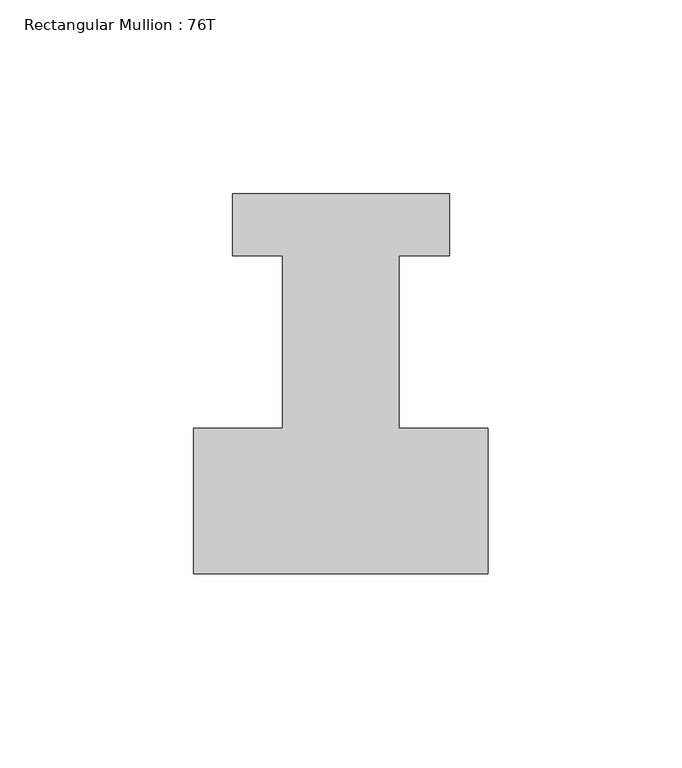
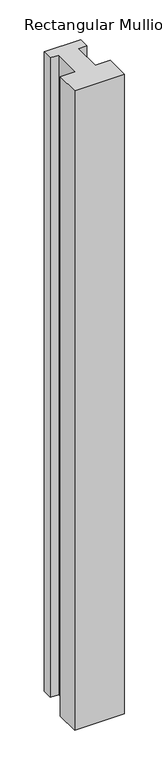
"""IFC4 building model written with IfcOpenShell, lengths in millimetres: member geometry, Rectangular Mullion : 76T."""

from ifc_helpers import new_model, si_unit, frame, origin, place, context, project, spatial, polyline, outline, extrude, source, transform, mapped, element, save


def rectangular_mullion_76t_65d1620c(model_context):
    return source(origin(), model_context, "Body", "SweptSolid", [
        extrude(outline(polyline([(38.0, -38.0), (-38.0, -38.0), (-38.0, -0.5), (-15.0, -0.5), (-15.0, 44.0), (-28.0, 44.0), (-28.0, 60.0), (28.0, 60.0), (28.0, 44.0), (15.0, 44.0), (15.0, -0.5), (38.0, -0.5), (38.0, -38.0)])), frame((0.0, 0.0, -1036.0), z_axis=(0.0, 0.0, 1.0), x_axis=(1.0, 0.0, 0.0)), (0.0, 0.0, 1.0), 1036.0),
    ])


if __name__ == "__main__":
    model = new_model("IFC4")
    model_context = context("Model", 3, world=origin())
    ifc_project = project(units=[si_unit("LENGTHUNIT", "METRE", prefix="MILLI")], contexts=[model_context])
    site = spatial("IfcSite", under=ifc_project)
    building = spatial("IfcBuilding", under=site)
    placement = place(None, origin())
    rectangular_mullion_76t_shape = rectangular_mullion_76t_65d1620c(model_context)
    element("IfcMember", 1, ObjectType="Rectangular Mullion : 76T", at=placement, inside=building, context=model_context, shape_type="MappedRepresentation", body=[
        mapped(rectangular_mullion_76t_shape, transform((0.0, 0.0, 0.0), x_axis=(1.0, 0.0, 0.0), y_axis=(0.0, 1.0, 0.0), z_axis=(0.0, 0.0, 1.0))),
    ])
    save(model, "model.ifc")
